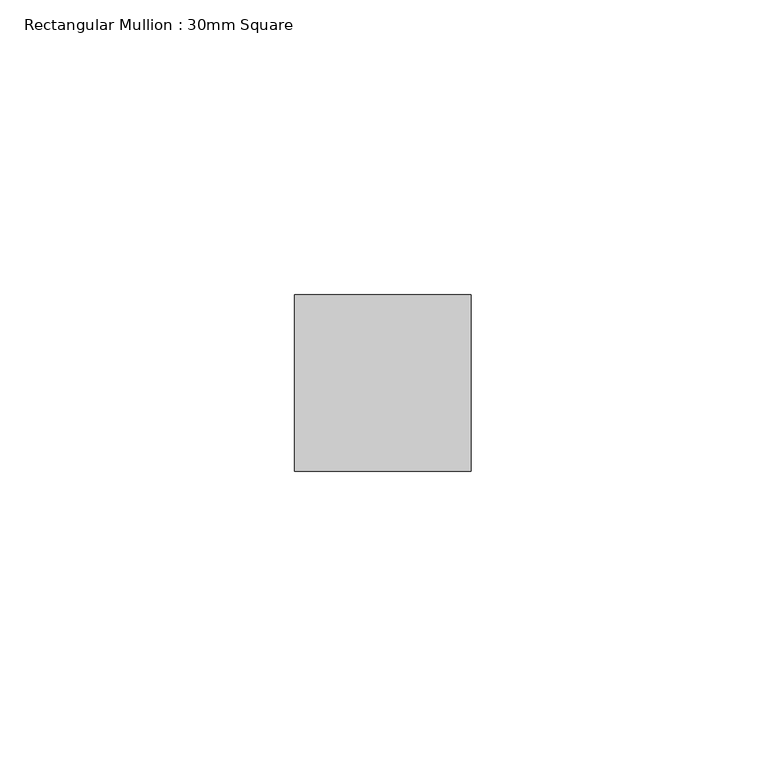
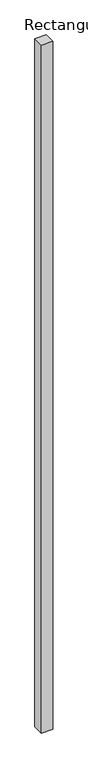
"""IFC4 building model written with IfcOpenShell, lengths in millimetres: member geometry, Rectangular Mullion : 30mm Square."""

from ifc_helpers import new_model, si_unit, frame, origin, place, context, project, spatial, polyline, outline, extrude, source, transform, mapped, element, save


def rectangular_mullion_30mm_square_8214c20e(model_context):
    return source(origin(), model_context, "Body", "SweptSolid", [
        extrude(outline(polyline([(0.0, 15.0), (0.0, -15.0), (-30.0, -15.0), (-30.0, 15.0), (0.0, 15.0)])), frame((0.0, 0.0, -1917.2408585), z_axis=(0.0, 0.0, 1.0), x_axis=(1.0, 0.0, 0.0)), (0.0, 0.0, 1.0), 1917.2408585),
    ])


if __name__ == "__main__":
    model = new_model("IFC4")
    model_context = context("Model", 3, world=origin())
    ifc_project = project(units=[si_unit("LENGTHUNIT", "METRE", prefix="MILLI")], contexts=[model_context])
    site = spatial("IfcSite", under=ifc_project)
    building = spatial("IfcBuilding", under=site)
    placement = place(None, origin())
    rectangular_mullion_30mm_square_shape = rectangular_mullion_30mm_square_8214c20e(model_context)
    element("IfcMember", 1, ObjectType="Rectangular Mullion : 30mm Square", at=placement, inside=building, context=model_context, shape_type="MappedRepresentation", body=[
        mapped(rectangular_mullion_30mm_square_shape, transform((0.0, 0.0, 0.0), x_axis=(1.0, 0.0, 0.0), y_axis=(0.0, 1.0, 0.0), z_axis=(0.0, 0.0, 1.0))),
    ])
    save(model, "model.ifc")
